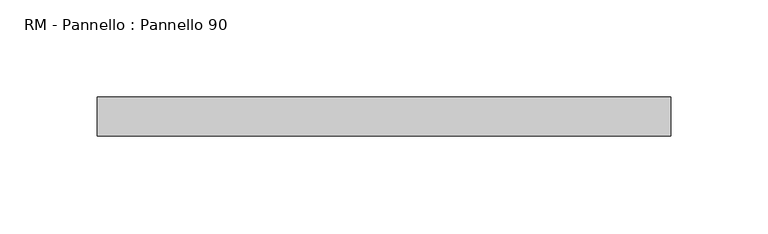
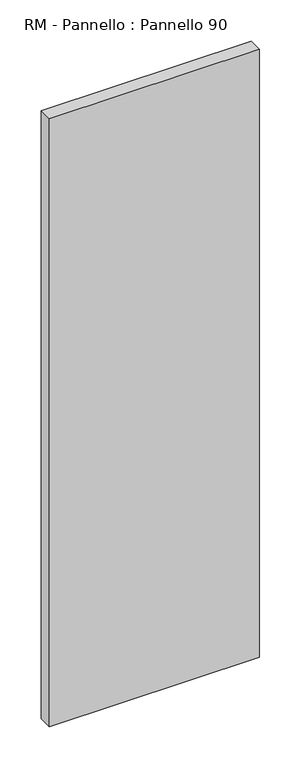
"""IFC4 building model written with IfcOpenShell, lengths in millimetres: plate geometry, RM - Pannello : Pannello 90."""

import ifcopenshell
import ifcopenshell.guid

model = None  # the IFC model being written
_history = None  # IfcOwnerHistory: only IFC2X3 demands one
_inside = {}  # id of a spatial element -> (the spatial element, [elements in it])
_under = {}  # id of a project, library or spatial element -> (it, [spatial elements below it])
_declared = {}  # id of a project -> (the project, [libraries it declares])
_typed = {}  # id of a type object -> (the type object, [elements of that type])
_made_of = {}  # id of a material, layer set ... -> (it, [elements and type objects made of it])


def new_model(schema):
    """Start an empty IFC model of exactly this schema.

    Asked for "IFC4X3", IfcOpenShell would pick the latest addendum, in which some entities
    have other attributes; the version numbers below select the first issue.
    IFC2X3 requires an IfcOwnerHistory on every rooted entity: one is made here for all.
    """
    global model, _history
    if schema == "IFC4X3":
        model = ifcopenshell.file(schema_version=(4, 3, 0, 0))
    else:
        model = ifcopenshell.file(schema=schema)
    _inside.clear()
    _under.clear()
    _declared.clear()
    _typed.clear()
    _made_of.clear()
    _history = None
    if model.schema == "IFC2X3":
        org = make("IfcOrganization", Name="unknown")
        user = make(
            "IfcPersonAndOrganization",
            ThePerson=make("IfcPerson", FamilyName="unknown"),
            TheOrganization=org,
        )
        app = make(
            "IfcApplication",
            ApplicationDeveloper=org,
            Version="unknown",
            ApplicationFullName="unknown",
            ApplicationIdentifier="unknown",
        )
        _history = make(
            "IfcOwnerHistory",
            OwningUser=user,
            OwningApplication=app,
            ChangeAction="ADDED",
            CreationDate=0,
        )
    return model


def make(cls, **values):
    """One entity of the class cls with the attributes given. An attribute that is None is left unset."""
    return model.create_entity(
        cls, **{name: value for name, value in values.items() if value is not None}
    )


def rooted(cls, **values):
    """An entity with a GlobalId (a new one), such as an element, a storey or a relation."""
    return make(cls, GlobalId=ifcopenshell.guid.new(), OwnerHistory=_history, **values)


def si_unit(unit_type, name, prefix=None):
    """IfcSIUnit, for example si_unit("LENGTHUNIT", "METRE", prefix="MILLI")."""
    return make("IfcSIUnit", UnitType=unit_type, Prefix=prefix, Name=name)


def assignment(units):
    """IfcUnitAssignment: the units of a project."""
    return None if units is None else make("IfcUnitAssignment", Units=units)


def point(xyz):
    """IfcCartesianPoint."""
    return None if xyz is None else make("IfcCartesianPoint", Coordinates=xyz)


def direction(xyz):
    """IfcDirection."""
    return None if xyz is None else make("IfcDirection", DirectionRatios=xyz)


def frame(location, z_axis=None, x_axis=None):
    """IfcAxis2Placement3D, a coordinate frame: its origin and axes. An axis left out is left unset."""
    return make(
        "IfcAxis2Placement3D",
        Location=point(location),
        Axis=direction(z_axis),
        RefDirection=direction(x_axis),
    )


def origin():
    """The frame at (0, 0, 0) with its axes left unset."""
    return frame((0.0, 0.0, 0.0))


def origin_with_axes():
    """The frame at (0, 0, 0) with the z axis (0, 0, 1) and the x axis (1, 0, 0) written out."""
    return frame((0.0, 0.0, 0.0), z_axis=(0.0, 0.0, 1.0), x_axis=(1.0, 0.0, 0.0))


def place(relative_to, where):
    """IfcLocalPlacement: puts the frame where relative to a parent placement (None: the world)."""
    return make(
        "IfcLocalPlacement", PlacementRelTo=relative_to, RelativePlacement=where
    )


def context(
    kind, dimensions, precision=None, world=None, true_north=None, identifier=None
):
    """IfcGeometricRepresentationContext, for example the 3D "Model" context."""
    return make(
        "IfcGeometricRepresentationContext",
        ContextIdentifier=identifier,
        ContextType=kind,
        CoordinateSpaceDimension=dimensions,
        Precision=precision,
        WorldCoordinateSystem=world,
        TrueNorth=true_north,
    )


def project(units=None, contexts=None):
    """IfcProject with its units and contexts."""
    return rooted(
        "IfcProject",
        Name="project",
        RepresentationContexts=contexts,
        UnitsInContext=assignment(units),
    )


def spatial(cls, under=None, at=None, **own):
    """A site, building, storey or space (cls), placed at a placement, below another one or the project."""
    s = rooted(cls, ObjectPlacement=at, **own)
    if under is not None:
        _under.setdefault(under.id(), (under, []))[1].append(s)
    return s


def polyline(points):
    """IfcPolyline through the points."""
    return make("IfcPolyline", Points=[point(p) for p in points])


def outline(outer, holes=None, kind="AREA"):
    """IfcArbitraryClosedProfileDef: a profile drawn as a closed curve; with holes, ...WithVoids."""
    if holes is None:
        return make("IfcArbitraryClosedProfileDef", ProfileType=kind, OuterCurve=outer)
    return make(
        "IfcArbitraryProfileDefWithVoids",
        ProfileType=kind,
        OuterCurve=outer,
        InnerCurves=holes,
    )


def extrude(swept, where, along, depth):
    """IfcExtrudedAreaSolid: the profile swept, set in the frame where, extruded along a direction by depth."""
    return make(
        "IfcExtrudedAreaSolid",
        SweptArea=swept,
        Position=where,
        ExtrudedDirection=direction(along),
        Depth=depth,
    )


def shape(context_of_items, identifier, shape_type, items):
    """IfcShapeRepresentation: the items that make up one representation, for example the "Body"."""
    return make(
        "IfcShapeRepresentation",
        ContextOfItems=context_of_items,
        RepresentationIdentifier=identifier,
        RepresentationType=shape_type,
        Items=items,
    )


def source(mapping_origin, context_of_items, identifier, shape_type, items):
    """IfcRepresentationMap: a shape defined once, which mapped items show again and again."""
    return make(
        "IfcRepresentationMap",
        MappingOrigin=mapping_origin,
        MappedRepresentation=shape(context_of_items, identifier, shape_type, items),
    )


def transform(
    local_origin,
    x_axis=None,
    y_axis=None,
    z_axis=None,
    scale=None,
    scale2=None,
    scale3=None,
    uniform=True,
):
    """IfcCartesianTransformationOperator3D, or its non-uniform kind. x_axis, y_axis, z_axis: its Axis1, 2, 3."""
    if uniform:
        return make(
            "IfcCartesianTransformationOperator3D",
            Axis1=direction(x_axis),
            Axis2=direction(y_axis),
            LocalOrigin=point(local_origin),
            Scale=scale,
            Axis3=direction(z_axis),
        )
    return make(
        "IfcCartesianTransformationOperator3DnonUniform",
        Axis1=direction(x_axis),
        Axis2=direction(y_axis),
        LocalOrigin=point(local_origin),
        Scale=scale,
        Axis3=direction(z_axis),
        Scale2=scale2,
        Scale3=scale3,
    )


def mapped(mapping_source, mapping_target):
    """IfcMappedItem: shows the shape of a source again, moved by a transform."""
    return make(
        "IfcMappedItem", MappingSource=mapping_source, MappingTarget=mapping_target
    )


def made_of(thing, what):
    """Note that an element or type object is made of a material, layer set ...; save() writes the relation."""
    if what is not None:
        _made_of.setdefault(what.id(), (what, []))[1].append(thing)
    return thing


def element(
    cls,
    number,
    at=None,
    inside=None,
    cuts=None,
    type_object=None,
    material=None,
    context=None,
    identifier="Body",
    shape_type=None,
    held_by="IfcProductDefinitionShape",
    body=None,
    shapes=None,
    **own,
):
    """One element of the class cls, such as IfcWall. Its Tag is "e" and its number.

    at: its placement. inside: the storey or other place that contains it. cuts: it is an
    opening in that element (IfcRelVoidsElement). A single representation is given by context,
    identifier, shape_type and body (its items); several are given by shapes. held_by: the class
    of the entity that holds the representations. save() writes the other relations.
    """
    e = rooted(cls, Tag="e%d" % number, ObjectPlacement=at, **own)
    if body is not None:
        shapes = [shape(context, identifier, shape_type, body)]
    if shapes is not None:
        e.Representation = make(held_by, Representations=shapes)
    if inside is not None:
        _inside.setdefault(inside.id(), (inside, []))[1].append(e)
    if cuts is not None:
        rooted(
            "IfcRelVoidsElement", RelatingBuildingElement=cuts, RelatedOpeningElement=e
        )
    if type_object is not None:
        _typed.setdefault(type_object.id(), (type_object, []))[1].append(e)
    return made_of(e, material)


def aggregate(whole, parts):
    """IfcRelAggregates: a whole, such as a stair, and the parts it consists of."""
    return rooted("IfcRelAggregates", RelatingObject=whole, RelatedObjects=parts)


def save(model, path):
    """Write the relations noted so far, then the file.

    IfcRelAggregates (storeys below a building ...), IfcRelContainedInSpatialStructure (elements
    in a storey), IfcRelDefinesByType, IfcRelAssociatesMaterial and IfcRelDeclares: one each for
    every whole, place, type object, material and project.
    """
    for whole, parts in _under.values():
        aggregate(whole, parts)
    for where, things in _inside.values():
        rooted(
            "IfcRelContainedInSpatialStructure",
            RelatedElements=things,
            RelatingStructure=where,
        )
    for kind, things in _typed.values():
        rooted("IfcRelDefinesByType", RelatedObjects=things, RelatingType=kind)
    for what, things in _made_of.values():
        rooted("IfcRelAssociatesMaterial", RelatedObjects=things, RelatingMaterial=what)
    for by, libraries in _declared.values():
        rooted("IfcRelDeclares", RelatingContext=by, RelatedDefinitions=libraries)
    model.write(path)


def rm_pannello_pannello_90_2cb0b7f0(model_context):
    return source(origin(), model_context, "Body", "SweptSolid", [
        extrude(outline(polyline([(147.0, -200.0), (-147.0, -200.0), (-147.0, -180.0), (147.0, -180.0), (147.0, -200.0)])), origin_with_axes(), (0.0, 0.0, 1.0), 900.0),
    ])


if __name__ == "__main__":
    model = new_model("IFC4")
    model_context = context("Model", 3, world=origin())
    ifc_project = project(units=[si_unit("LENGTHUNIT", "METRE", prefix="MILLI")], contexts=[model_context])
    site = spatial("IfcSite", under=ifc_project)
    building = spatial("IfcBuilding", under=site)
    placement = place(None, origin())
    rm_pannello_pannello_90_shape = rm_pannello_pannello_90_2cb0b7f0(model_context)
    element("IfcPlate", 1, ObjectType="RM - Pannello : Pannello 90", at=placement, inside=building, context=model_context, shape_type="MappedRepresentation", body=[
        mapped(rm_pannello_pannello_90_shape, transform((0.0, 0.0, 0.0), x_axis=(1.0, 0.0, 0.0), y_axis=(0.0, 1.0, 0.0), z_axis=(0.0, 0.0, 1.0))),
    ])
    save(model, "model.ifc")
